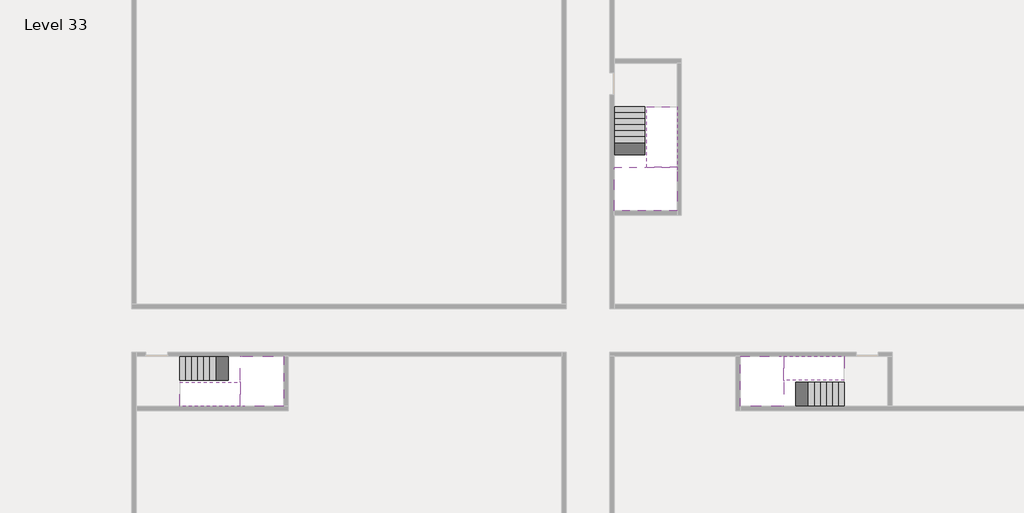
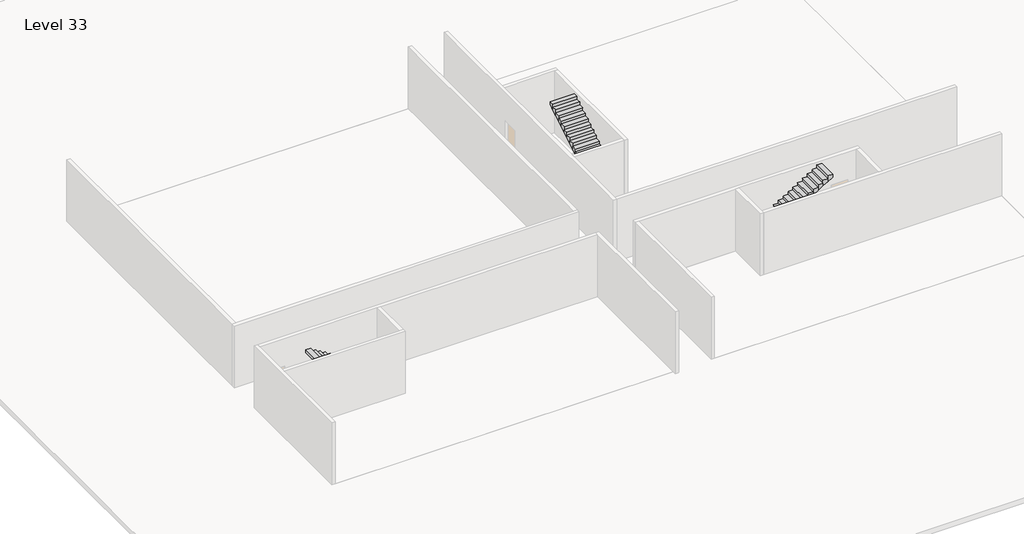
# One storey, part 2 of 2: 6 stair flights, 3 slabs.
"""IFC4 building model written with IfcOpenShell, lengths in millimetres."""

from ifc_helpers import new_model, si_unit, origin, place, context, project, spatial, faceted_brep, element, save

model = new_model("IFC4")

# Units and contexts
model_context = context("Model", 3, world=origin())
ifc_project = project(units=[si_unit("LENGTHUNIT", "METRE", prefix="MILLI")], contexts=[model_context])

# Site, building, storey
site = spatial("IfcSite", under=ifc_project)
building = spatial("IfcBuilding", under=site)
storey = spatial("IfcBuildingStorey", under=building, Name="Level 33", Elevation=121600.0)

# Slabs
placement = place(None, origin())
element("IfcSlab", 1, at=placement, inside=storey, context=model_context, shape_type="Brep", body=[
    faceted_brep([(8190.1058784, -42918.09644, 123500.0), (8190.1058784, -44018.09644, 123500.0), (8190.1058784, -44118.09644, 123500.0), (8190.1058784, -45218.09644, 123500.0), (8390.7194421, -45218.09644, 123500.0), (10190.1058784, -45218.09644, 123500.0), (10190.1058784, -42918.09644, 123500.0), (8269.4923146, -42918.09644, 123500.0), (8190.1058784, -42918.09644, 123327.2727273), (8190.1058784, -42918.09644, 123151.0278478), (8190.1058784, -44018.09644, 123151.0278478), (8190.1058784, -44018.09644, 123200.0), (8190.1058784, -44118.09644, 123200.0), (8190.1058784, -44118.09644, 123323.7551205), (8190.1058784, -45218.09644, 123323.7551205), (8390.7194421, -45218.09644, 123200.0), (10190.1058784, -45218.09644, 123200.0), (10190.1058784, -42918.09644, 123200.0), (8269.4923146, -42918.09644, 123200.0), (8390.7194421, -44118.09644, 123200.0), (8269.4923146, -44018.09644, 123200.0)], [[[0, 1, 2, 3, 4, 5, 6, 7]], [[1, 0, 8, 9, 10, 11]], [[2, 1, 11, 12, 13]], [[3, 2, 13, 14]], [[3, 14, 15, 16, 5, 4]], [[6, 5, 16, 17]], [[9, 8, 0, 7, 6, 17, 18]], [[19, 12, 11, 20, 18, 17, 16, 15]], [[12, 19, 13]], [[18, 20, 10, 9]], [[20, 11, 10]], [[19, 15, 14, 13]]]),
])
element("IfcSlab", 2, at=placement, inside=storey, context=model_context, shape_type="Brep", body=[
    faceted_brep([(33190.1058784, -45218.09644, 123500.0), (33190.1058784, -44118.09644, 123500.0), (33190.1058784, -44018.09644, 123500.0), (33190.1058784, -42918.09644, 123500.0), (32989.4923146, -42918.09644, 123500.0), (31190.1058784, -42918.09644, 123500.0), (31190.1058784, -45218.09644, 123500.0), (33110.7194421, -45218.09644, 123500.0), (33190.1058784, -45218.09644, 123327.2727273), (33190.1058784, -45218.09644, 123151.0278478), (33190.1058784, -44118.09644, 123151.0278478), (33190.1058784, -44118.09644, 123200.0), (33190.1058784, -44018.09644, 123200.0), (33190.1058784, -44018.09644, 123323.7551205), (33190.1058784, -42918.09644, 123323.7551205), (32989.4923146, -42918.09644, 123200.0), (31190.1058784, -42918.09644, 123200.0), (31190.1058784, -45218.09644, 123200.0), (33110.7194421, -45218.09644, 123200.0), (32989.4923146, -44018.09644, 123200.0), (33110.7194421, -44118.09644, 123200.0)], [[[0, 1, 2, 3, 4, 5, 6, 7]], [[1, 0, 8, 9, 10, 11]], [[2, 1, 11, 12, 13]], [[3, 2, 13, 14]], [[3, 14, 15, 16, 5, 4]], [[6, 5, 16, 17]], [[9, 8, 0, 7, 6, 17, 18]], [[19, 12, 11, 20, 18, 17, 16, 15]], [[12, 19, 13]], [[18, 20, 10, 9]], [[20, 11, 10]], [[19, 15, 14, 13]]]),
])
element("IfcSlab", 3, at=placement, inside=storey, context=model_context, shape_type="Brep", body=[
    faceted_brep([(26790.1058784, -34218.09644, 123500.0), (25390.1058784, -34218.09644, 123500.0), (25390.1058784, -34297.4828763, 123500.0), (25390.1058784, -36218.09644, 123500.0), (28290.1058784, -36218.09644, 123500.0), (28290.1058784, -34418.7100038, 123500.0), (28290.1058784, -34218.09644, 123500.0), (26890.1058784, -34218.09644, 123500.0), (26790.1058784, -34218.09644, 123200.0), (26790.1058784, -34218.09644, 123151.0278478), (25390.1058784, -34218.09644, 123151.0278478), (25390.1058784, -34218.09644, 123327.2727273), (25390.1058784, -34297.4828763, 123200.0), (25390.1058784, -36218.09644, 123200.0), (28290.1058784, -36218.09644, 123200.0), (28290.1058784, -34418.7100038, 123200.0), (28290.1058784, -34218.09644, 123323.7551205), (26890.1058784, -34218.09644, 123323.7551205), (26890.1058784, -34218.09644, 123200.0), (26890.1058784, -34418.7100038, 123200.0), (26790.1058784, -34297.4828763, 123200.0)], [[[0, 1, 2, 3, 4, 5, 6, 7]], [[1, 0, 8, 9, 10, 11]], [[1, 11, 10, 12, 13, 3, 2]], [[4, 3, 13, 14]], [[4, 14, 15, 16, 6, 5]], [[7, 6, 16, 17]], [[0, 7, 17, 18, 8]], [[18, 19, 15, 14, 13, 12, 20, 8]], [[19, 18, 17]], [[20, 12, 10, 9]], [[8, 20, 9]], [[15, 19, 17, 16]]]),
])

# Stair flights
element("IfcStairFlight", 4, at=placement, inside=storey, context=model_context, shape_type="Brep", body=[
    faceted_brep([(5670.1058784, -42918.09644, 121772.7272727), (5390.1058784, -42918.09644, 121772.7272727), (5390.1058784, -44018.09644, 121772.7272727), (5670.1058784, -44018.09644, 121772.7272727), (5670.1058784, -42918.09644, 121600.0), (5390.1058784, -42918.09644, 121600.0), (5390.1058784, -44018.09644, 121600.0), (5670.1058784, -44018.09644, 121600.0), (5950.1058784, -42918.09644, 121945.4545455), (5670.1058784, -42918.09644, 121945.4545455), (5670.1058784, -44018.09644, 121945.4545455), (5950.1058784, -44018.09644, 121945.4545455), (5950.1058784, -42918.09644, 121769.209666), (5675.8081041, -42918.09644, 121600.0), (5675.8081041, -44018.09644, 121600.0), (5950.1058784, -44018.09644, 121769.209666), (6230.1058784, -42918.09644, 122118.1818182), (5950.1058784, -42918.09644, 122118.1818182), (5950.1058784, -44018.09644, 122118.1818182), (6230.1058784, -44018.09644, 122118.1818182), (6230.1058784, -42918.09644, 121941.9369387), (6230.1058784, -44018.09644, 121941.9369387), (6510.1058784, -42918.09644, 122290.9090909), (6230.1058784, -42918.09644, 122290.9090909), (6230.1058784, -44018.09644, 122290.9090909), (6510.1058784, -44018.09644, 122290.9090909), (6510.1058784, -42918.09644, 122114.6642114), (6510.1058784, -44018.09644, 122114.6642114), (6790.1058784, -42918.09644, 122463.6363636), (6510.1058784, -42918.09644, 122463.6363636), (6510.1058784, -44018.09644, 122463.6363636), (6790.1058784, -44018.09644, 122463.6363636), (6790.1058784, -42918.09644, 122287.3914841), (6790.1058784, -44018.09644, 122287.3914841), (7070.1058784, -42918.09644, 122636.3636364), (6790.1058784, -42918.09644, 122636.3636364), (6790.1058784, -44018.09644, 122636.3636364), (7070.1058784, -44018.09644, 122636.3636364), (7070.1058784, -42918.09644, 122460.1187569), (7070.1058784, -44018.09644, 122460.1187569), (7350.1058784, -42918.09644, 122809.0909091), (7070.1058784, -42918.09644, 122809.0909091), (7070.1058784, -44018.09644, 122809.0909091), (7350.1058784, -44018.09644, 122809.0909091), (7350.1058784, -42918.09644, 122632.8460296), (7350.1058784, -44018.09644, 122632.8460296), (7630.1058784, -42918.09644, 122981.8181818), (7350.1058784, -42918.09644, 122981.8181818), (7350.1058784, -44018.09644, 122981.8181818), (7630.1058784, -44018.09644, 122981.8181818), (7630.1058784, -42918.09644, 122805.5733023), (7630.1058784, -44018.09644, 122805.5733023), (7910.1058784, -42918.09644, 123154.5454545), (7630.1058784, -42918.09644, 123154.5454545), (7630.1058784, -44018.09644, 123154.5454545), (7910.1058784, -44018.09644, 123154.5454545), (7910.1058784, -42918.09644, 122978.3005751), (7910.1058784, -44018.09644, 122978.3005751), (8190.1058784, -42918.09644, 123327.2727273), (7910.1058784, -42918.09644, 123327.2727273), (7910.1058784, -44018.09644, 123327.2727273), (8190.1058784, -44018.09644, 123327.2727273), (8190.1058784, -42918.09644, 123151.0278478), (8190.1058784, -44018.09644, 123151.0278478), (8190.1058784, -44018.09644, 123200.0)], [[[0, 1, 2, 3]], [[1, 0, 4, 5]], [[2, 1, 5, 6]], [[3, 2, 6, 7]], [[8, 9, 10, 11]], [[4, 0, 9, 8, 12, 13]], [[0, 3, 10, 9]], [[3, 7, 14, 15, 11, 10]], [[16, 17, 18, 19]], [[17, 16, 20, 12, 8]], [[8, 11, 18, 17]], [[19, 18, 11, 15, 21]], [[22, 23, 24, 25]], [[23, 22, 26, 20, 16]], [[16, 19, 24, 23]], [[25, 24, 19, 21, 27]], [[28, 29, 30, 31]], [[29, 28, 32, 26, 22]], [[22, 25, 30, 29]], [[31, 30, 25, 27, 33]], [[34, 35, 36, 37]], [[35, 34, 38, 32, 28]], [[28, 31, 36, 35]], [[37, 36, 31, 33, 39]], [[40, 41, 42, 43]], [[41, 40, 44, 38, 34]], [[34, 37, 42, 41]], [[43, 42, 37, 39, 45]], [[46, 47, 48, 49]], [[47, 46, 50, 44, 40]], [[40, 43, 48, 47]], [[49, 48, 43, 45, 51]], [[52, 53, 54, 55]], [[53, 52, 56, 50, 46]], [[46, 49, 54, 53]], [[55, 54, 49, 51, 57]], [[58, 59, 60, 61]], [[59, 58, 62, 56, 52]], [[52, 55, 60, 59]], [[61, 60, 55, 57, 63, 64]], [[58, 61, 64, 63, 62]], [[5, 4, 13, 14, 7, 6]], [[14, 13, 12, 20, 26, 32, 38, 44, 50, 56, 62, 63, 57, 51, 45, 39, 33, 27, 21, 15]]]),
])
element("IfcStairFlight", 5, at=placement, inside=storey, context=model_context, shape_type="Brep", body=[
    faceted_brep([(7910.1058784, -45218.09644, 123672.7272727), (8190.1058784, -45218.09644, 123672.7272727), (8190.1058784, -44118.09644, 123672.7272727), (7910.1058784, -44118.09644, 123672.7272727), (7910.1058784, -45218.09644, 123496.4823932), (8190.1058784, -45218.09644, 123323.7551205), (8190.1058784, -45218.09644, 123500.0), (8190.1058784, -44118.09644, 123323.7551205), (7910.1058784, -44118.09644, 123496.4823932), (7630.1058784, -45218.09644, 123845.4545455), (7910.1058784, -45218.09644, 123845.4545455), (7910.1058784, -44118.09644, 123845.4545455), (7630.1058784, -44118.09644, 123845.4545455), (7630.1058784, -45218.09644, 123669.209666), (7630.1058784, -44118.09644, 123669.209666), (7350.1058784, -45218.09644, 124018.1818182), (7630.1058784, -45218.09644, 124018.1818182), (7630.1058784, -44118.09644, 124018.1818182), (7350.1058784, -44118.09644, 124018.1818182), (7350.1058784, -45218.09644, 123841.9369387), (7350.1058784, -44118.09644, 123841.9369387), (7070.1058784, -45218.09644, 124190.9090909), (7350.1058784, -45218.09644, 124190.9090909), (7350.1058784, -44118.09644, 124190.9090909), (7070.1058784, -44118.09644, 124190.9090909), (7070.1058784, -45218.09644, 124014.6642114), (7070.1058784, -44118.09644, 124014.6642114), (6790.1058784, -45218.09644, 124363.6363636), (7070.1058784, -45218.09644, 124363.6363636), (7070.1058784, -44118.09644, 124363.6363636), (6790.1058784, -44118.09644, 124363.6363636), (6790.1058784, -45218.09644, 124187.3914841), (6790.1058784, -44118.09644, 124187.3914841), (6510.1058784, -45218.09644, 124536.3636364), (6790.1058784, -45218.09644, 124536.3636364), (6790.1058784, -44118.09644, 124536.3636364), (6510.1058784, -44118.09644, 124536.3636364), (6510.1058784, -45218.09644, 124360.1187569), (6510.1058784, -44118.09644, 124360.1187569), (6230.1058784, -45218.09644, 124709.0909091), (6510.1058784, -45218.09644, 124709.0909091), (6510.1058784, -44118.09644, 124709.0909091), (6230.1058784, -44118.09644, 124709.0909091), (6230.1058784, -45218.09644, 124532.8460296), (6230.1058784, -44118.09644, 124532.8460296), (5950.1058784, -45218.09644, 124881.8181818), (6230.1058784, -45218.09644, 124881.8181818), (6230.1058784, -44118.09644, 124881.8181818), (5950.1058784, -44118.09644, 124881.8181818), (5950.1058784, -45218.09644, 124705.5733023), (5950.1058784, -44118.09644, 124705.5733023), (5670.1058784, -45218.09644, 125054.5454545), (5950.1058784, -45218.09644, 125054.5454545), (5950.1058784, -44118.09644, 125054.5454545), (5670.1058784, -44118.09644, 125054.5454545), (5670.1058784, -45218.09644, 124878.3005751), (5670.1058784, -44118.09644, 124878.3005751), (5390.1058784, -45218.09644, 125227.2727273), (5670.1058784, -45218.09644, 125227.2727273), (5670.1058784, -44118.09644, 125227.2727273), (5390.1058784, -44118.09644, 125227.2727273), (5390.1058784, -45218.09644, 125051.0278478), (5390.1058784, -44118.09644, 125051.0278478)], [[[0, 1, 2, 3]], [[1, 0, 4, 5, 6]], [[2, 1, 6, 5, 7]], [[3, 2, 7, 8]], [[9, 10, 11, 12]], [[10, 9, 13, 4, 0]], [[11, 10, 0, 3]], [[12, 11, 3, 8, 14]], [[15, 16, 17, 18]], [[16, 15, 19, 13, 9]], [[17, 16, 9, 12]], [[18, 17, 12, 14, 20]], [[21, 22, 23, 24]], [[22, 21, 25, 19, 15]], [[23, 22, 15, 18]], [[24, 23, 18, 20, 26]], [[27, 28, 29, 30]], [[28, 27, 31, 25, 21]], [[29, 28, 21, 24]], [[30, 29, 24, 26, 32]], [[33, 34, 35, 36]], [[34, 33, 37, 31, 27]], [[35, 34, 27, 30]], [[36, 35, 30, 32, 38]], [[39, 40, 41, 42]], [[40, 39, 43, 37, 33]], [[41, 40, 33, 36]], [[42, 41, 36, 38, 44]], [[45, 46, 47, 48]], [[46, 45, 49, 43, 39]], [[47, 46, 39, 42]], [[48, 47, 42, 44, 50]], [[51, 52, 53, 54]], [[52, 51, 55, 49, 45]], [[53, 52, 45, 48]], [[54, 53, 48, 50, 56]], [[57, 58, 59, 60]], [[58, 57, 61, 55, 51]], [[59, 58, 51, 54]], [[60, 59, 54, 56, 62]], [[57, 60, 62, 61]], [[5, 4, 13, 19, 25, 31, 37, 43, 49, 55, 61, 62, 56, 50, 44, 38, 32, 26, 20, 14, 8, 7]]]),
])
element("IfcStairFlight", 6, at=placement, inside=storey, context=model_context, shape_type="Brep", body=[
    faceted_brep([(35710.1058784, -45218.09644, 121772.7272727), (35990.1058784, -45218.09644, 121772.7272727), (35990.1058784, -44118.09644, 121772.7272727), (35710.1058784, -44118.09644, 121772.7272727), (35710.1058784, -45218.09644, 121600.0), (35990.1058784, -45218.09644, 121600.0), (35990.1058784, -44118.09644, 121600.0), (35710.1058784, -44118.09644, 121600.0), (35430.1058784, -45218.09644, 121945.4545455), (35710.1058784, -45218.09644, 121945.4545455), (35710.1058784, -44118.09644, 121945.4545455), (35430.1058784, -44118.09644, 121945.4545455), (35430.1058784, -45218.09644, 121769.209666), (35704.4036527, -45218.09644, 121600.0), (35704.4036527, -44118.09644, 121600.0), (35430.1058784, -44118.09644, 121769.209666), (35150.1058784, -45218.09644, 122118.1818182), (35430.1058784, -45218.09644, 122118.1818182), (35430.1058784, -44118.09644, 122118.1818182), (35150.1058784, -44118.09644, 122118.1818182), (35150.1058784, -45218.09644, 121941.9369387), (35150.1058784, -44118.09644, 121941.9369387), (34870.1058784, -45218.09644, 122290.9090909), (35150.1058784, -45218.09644, 122290.9090909), (35150.1058784, -44118.09644, 122290.9090909), (34870.1058784, -44118.09644, 122290.9090909), (34870.1058784, -45218.09644, 122114.6642114), (34870.1058784, -44118.09644, 122114.6642114), (34590.1058784, -45218.09644, 122463.6363636), (34870.1058784, -45218.09644, 122463.6363636), (34870.1058784, -44118.09644, 122463.6363636), (34590.1058784, -44118.09644, 122463.6363636), (34590.1058784, -45218.09644, 122287.3914841), (34590.1058784, -44118.09644, 122287.3914841), (34310.1058784, -45218.09644, 122636.3636364), (34590.1058784, -45218.09644, 122636.3636364), (34590.1058784, -44118.09644, 122636.3636364), (34310.1058784, -44118.09644, 122636.3636364), (34310.1058784, -45218.09644, 122460.1187569), (34310.1058784, -44118.09644, 122460.1187569), (34030.1058784, -45218.09644, 122809.0909091), (34310.1058784, -45218.09644, 122809.0909091), (34310.1058784, -44118.09644, 122809.0909091), (34030.1058784, -44118.09644, 122809.0909091), (34030.1058784, -45218.09644, 122632.8460296), (34030.1058784, -44118.09644, 122632.8460296), (33750.1058784, -45218.09644, 122981.8181818), (34030.1058784, -45218.09644, 122981.8181818), (34030.1058784, -44118.09644, 122981.8181818), (33750.1058784, -44118.09644, 122981.8181818), (33750.1058784, -45218.09644, 122805.5733023), (33750.1058784, -44118.09644, 122805.5733023), (33470.1058784, -45218.09644, 123154.5454545), (33750.1058784, -45218.09644, 123154.5454545), (33750.1058784, -44118.09644, 123154.5454545), (33470.1058784, -44118.09644, 123154.5454545), (33470.1058784, -45218.09644, 122978.3005751), (33470.1058784, -44118.09644, 122978.3005751), (33190.1058784, -45218.09644, 123327.2727273), (33470.1058784, -45218.09644, 123327.2727273), (33470.1058784, -44118.09644, 123327.2727273), (33190.1058784, -44118.09644, 123327.2727273), (33190.1058784, -45218.09644, 123151.0278478), (33190.1058784, -44118.09644, 123151.0278478), (33190.1058784, -44118.09644, 123200.0)], [[[0, 1, 2, 3]], [[1, 0, 4, 5]], [[2, 1, 5, 6]], [[3, 2, 6, 7]], [[8, 9, 10, 11]], [[4, 0, 9, 8, 12, 13]], [[0, 3, 10, 9]], [[3, 7, 14, 15, 11, 10]], [[16, 17, 18, 19]], [[17, 16, 20, 12, 8]], [[8, 11, 18, 17]], [[19, 18, 11, 15, 21]], [[22, 23, 24, 25]], [[23, 22, 26, 20, 16]], [[16, 19, 24, 23]], [[25, 24, 19, 21, 27]], [[28, 29, 30, 31]], [[29, 28, 32, 26, 22]], [[22, 25, 30, 29]], [[31, 30, 25, 27, 33]], [[34, 35, 36, 37]], [[35, 34, 38, 32, 28]], [[28, 31, 36, 35]], [[37, 36, 31, 33, 39]], [[40, 41, 42, 43]], [[41, 40, 44, 38, 34]], [[34, 37, 42, 41]], [[43, 42, 37, 39, 45]], [[46, 47, 48, 49]], [[47, 46, 50, 44, 40]], [[40, 43, 48, 47]], [[49, 48, 43, 45, 51]], [[52, 53, 54, 55]], [[53, 52, 56, 50, 46]], [[46, 49, 54, 53]], [[55, 54, 49, 51, 57]], [[58, 59, 60, 61]], [[59, 58, 62, 56, 52]], [[52, 55, 60, 59]], [[61, 60, 55, 57, 63, 64]], [[58, 61, 64, 63, 62]], [[5, 4, 13, 14, 7, 6]], [[14, 13, 12, 20, 26, 32, 38, 44, 50, 56, 62, 63, 57, 51, 45, 39, 33, 27, 21, 15]]]),
])
element("IfcStairFlight", 7, at=placement, inside=storey, context=model_context, shape_type="Brep", body=[
    faceted_brep([(33470.1058784, -42918.09644, 123672.7272727), (33190.1058784, -42918.09644, 123672.7272727), (33190.1058784, -44018.09644, 123672.7272727), (33470.1058784, -44018.09644, 123672.7272727), (33470.1058784, -42918.09644, 123496.4823932), (33190.1058784, -42918.09644, 123323.7551205), (33190.1058784, -42918.09644, 123500.0), (33190.1058784, -44018.09644, 123323.7551205), (33470.1058784, -44018.09644, 123496.4823932), (33750.1058784, -42918.09644, 123845.4545455), (33470.1058784, -42918.09644, 123845.4545455), (33470.1058784, -44018.09644, 123845.4545455), (33750.1058784, -44018.09644, 123845.4545455), (33750.1058784, -42918.09644, 123669.209666), (33750.1058784, -44018.09644, 123669.209666), (34030.1058784, -42918.09644, 124018.1818182), (33750.1058784, -42918.09644, 124018.1818182), (33750.1058784, -44018.09644, 124018.1818182), (34030.1058784, -44018.09644, 124018.1818182), (34030.1058784, -42918.09644, 123841.9369387), (34030.1058784, -44018.09644, 123841.9369387), (34310.1058784, -42918.09644, 124190.9090909), (34030.1058784, -42918.09644, 124190.9090909), (34030.1058784, -44018.09644, 124190.9090909), (34310.1058784, -44018.09644, 124190.9090909), (34310.1058784, -42918.09644, 124014.6642114), (34310.1058784, -44018.09644, 124014.6642114), (34590.1058784, -42918.09644, 124363.6363636), (34310.1058784, -42918.09644, 124363.6363636), (34310.1058784, -44018.09644, 124363.6363636), (34590.1058784, -44018.09644, 124363.6363636), (34590.1058784, -42918.09644, 124187.3914841), (34590.1058784, -44018.09644, 124187.3914841), (34870.1058784, -42918.09644, 124536.3636364), (34590.1058784, -42918.09644, 124536.3636364), (34590.1058784, -44018.09644, 124536.3636364), (34870.1058784, -44018.09644, 124536.3636364), (34870.1058784, -42918.09644, 124360.1187569), (34870.1058784, -44018.09644, 124360.1187569), (35150.1058784, -42918.09644, 124709.0909091), (34870.1058784, -42918.09644, 124709.0909091), (34870.1058784, -44018.09644, 124709.0909091), (35150.1058784, -44018.09644, 124709.0909091), (35150.1058784, -42918.09644, 124532.8460296), (35150.1058784, -44018.09644, 124532.8460296), (35430.1058784, -42918.09644, 124881.8181818), (35150.1058784, -42918.09644, 124881.8181818), (35150.1058784, -44018.09644, 124881.8181818), (35430.1058784, -44018.09644, 124881.8181818), (35430.1058784, -42918.09644, 124705.5733023), (35430.1058784, -44018.09644, 124705.5733023), (35710.1058784, -42918.09644, 125054.5454545), (35430.1058784, -42918.09644, 125054.5454545), (35430.1058784, -44018.09644, 125054.5454545), (35710.1058784, -44018.09644, 125054.5454545), (35710.1058784, -42918.09644, 124878.3005751), (35710.1058784, -44018.09644, 124878.3005751), (35990.1058784, -42918.09644, 125227.2727273), (35710.1058784, -42918.09644, 125227.2727273), (35710.1058784, -44018.09644, 125227.2727273), (35990.1058784, -44018.09644, 125227.2727273), (35990.1058784, -42918.09644, 125051.0278478), (35990.1058784, -44018.09644, 125051.0278478)], [[[0, 1, 2, 3]], [[1, 0, 4, 5, 6]], [[2, 1, 6, 5, 7]], [[3, 2, 7, 8]], [[9, 10, 11, 12]], [[10, 9, 13, 4, 0]], [[11, 10, 0, 3]], [[12, 11, 3, 8, 14]], [[15, 16, 17, 18]], [[16, 15, 19, 13, 9]], [[17, 16, 9, 12]], [[18, 17, 12, 14, 20]], [[21, 22, 23, 24]], [[22, 21, 25, 19, 15]], [[23, 22, 15, 18]], [[24, 23, 18, 20, 26]], [[27, 28, 29, 30]], [[28, 27, 31, 25, 21]], [[29, 28, 21, 24]], [[30, 29, 24, 26, 32]], [[33, 34, 35, 36]], [[34, 33, 37, 31, 27]], [[35, 34, 27, 30]], [[36, 35, 30, 32, 38]], [[39, 40, 41, 42]], [[40, 39, 43, 37, 33]], [[41, 40, 33, 36]], [[42, 41, 36, 38, 44]], [[45, 46, 47, 48]], [[46, 45, 49, 43, 39]], [[47, 46, 39, 42]], [[48, 47, 42, 44, 50]], [[51, 52, 53, 54]], [[52, 51, 55, 49, 45]], [[53, 52, 45, 48]], [[54, 53, 48, 50, 56]], [[57, 58, 59, 60]], [[58, 57, 61, 55, 51]], [[59, 58, 51, 54]], [[60, 59, 54, 56, 62]], [[57, 60, 62, 61]], [[5, 4, 13, 19, 25, 31, 37, 43, 49, 55, 61, 62, 56, 50, 44, 38, 32, 26, 20, 14, 8, 7]]]),
])
element("IfcStairFlight", 8, at=placement, inside=storey, context=model_context, shape_type="Brep", body=[
    faceted_brep([(26790.1058784, -31698.09644, 121772.7272727), (26790.1058784, -31418.09644, 121772.7272727), (25390.1058784, -31418.09644, 121772.7272727), (25390.1058784, -31698.09644, 121772.7272727), (26790.1058784, -31698.09644, 121600.0), (26790.1058784, -31418.09644, 121600.0), (25390.1058784, -31418.09644, 121600.0), (25390.1058784, -31698.09644, 121600.0), (26790.1058784, -31978.09644, 121945.4545455), (26790.1058784, -31698.09644, 121945.4545455), (25390.1058784, -31698.09644, 121945.4545455), (25390.1058784, -31978.09644, 121945.4545455), (26790.1058784, -31978.09644, 121769.209666), (26790.1058784, -31703.7986657, 121600.0), (25390.1058784, -31703.7986657, 121600.0), (25390.1058784, -31978.09644, 121769.209666), (26790.1058784, -32258.09644, 122118.1818182), (26790.1058784, -31978.09644, 122118.1818182), (25390.1058784, -31978.09644, 122118.1818182), (25390.1058784, -32258.09644, 122118.1818182), (26790.1058784, -32258.09644, 121941.9369387), (25390.1058784, -32258.09644, 121941.9369387), (26790.1058784, -32538.09644, 122290.9090909), (26790.1058784, -32258.09644, 122290.9090909), (25390.1058784, -32258.09644, 122290.9090909), (25390.1058784, -32538.09644, 122290.9090909), (26790.1058784, -32538.09644, 122114.6642114), (25390.1058784, -32538.09644, 122114.6642114), (26790.1058784, -32818.09644, 122463.6363636), (26790.1058784, -32538.09644, 122463.6363636), (25390.1058784, -32538.09644, 122463.6363636), (25390.1058784, -32818.09644, 122463.6363636), (26790.1058784, -32818.09644, 122287.3914841), (25390.1058784, -32818.09644, 122287.3914841), (26790.1058784, -33098.09644, 122636.3636364), (26790.1058784, -32818.09644, 122636.3636364), (25390.1058784, -32818.09644, 122636.3636364), (25390.1058784, -33098.09644, 122636.3636364), (26790.1058784, -33098.09644, 122460.1187569), (25390.1058784, -33098.09644, 122460.1187569), (26790.1058784, -33378.09644, 122809.0909091), (26790.1058784, -33098.09644, 122809.0909091), (25390.1058784, -33098.09644, 122809.0909091), (25390.1058784, -33378.09644, 122809.0909091), (26790.1058784, -33378.09644, 122632.8460296), (25390.1058784, -33378.09644, 122632.8460296), (26790.1058784, -33658.09644, 122981.8181818), (26790.1058784, -33378.09644, 122981.8181818), (25390.1058784, -33378.09644, 122981.8181818), (25390.1058784, -33658.09644, 122981.8181818), (26790.1058784, -33658.09644, 122805.5733023), (25390.1058784, -33658.09644, 122805.5733023), (26790.1058784, -33938.09644, 123154.5454545), (26790.1058784, -33658.09644, 123154.5454545), (25390.1058784, -33658.09644, 123154.5454545), (25390.1058784, -33938.09644, 123154.5454545), (26790.1058784, -33938.09644, 122978.3005751), (25390.1058784, -33938.09644, 122978.3005751), (26790.1058784, -34218.09644, 123327.2727273), (26790.1058784, -33938.09644, 123327.2727273), (25390.1058784, -33938.09644, 123327.2727273), (25390.1058784, -34218.09644, 123327.2727273), (26790.1058784, -34218.09644, 123200.0), (26790.1058784, -34218.09644, 123151.0278478), (25390.1058784, -34218.09644, 123151.0278478)], [[[0, 1, 2, 3]], [[1, 0, 4, 5]], [[2, 1, 5, 6]], [[3, 2, 6, 7]], [[8, 9, 10, 11]], [[4, 0, 9, 8, 12, 13]], [[0, 3, 10, 9]], [[3, 7, 14, 15, 11, 10]], [[16, 17, 18, 19]], [[17, 16, 20, 12, 8]], [[8, 11, 18, 17]], [[19, 18, 11, 15, 21]], [[22, 23, 24, 25]], [[23, 22, 26, 20, 16]], [[16, 19, 24, 23]], [[25, 24, 19, 21, 27]], [[28, 29, 30, 31]], [[29, 28, 32, 26, 22]], [[22, 25, 30, 29]], [[31, 30, 25, 27, 33]], [[34, 35, 36, 37]], [[35, 34, 38, 32, 28]], [[28, 31, 36, 35]], [[37, 36, 31, 33, 39]], [[40, 41, 42, 43]], [[41, 40, 44, 38, 34]], [[34, 37, 42, 41]], [[43, 42, 37, 39, 45]], [[46, 47, 48, 49]], [[47, 46, 50, 44, 40]], [[40, 43, 48, 47]], [[49, 48, 43, 45, 51]], [[52, 53, 54, 55]], [[53, 52, 56, 50, 46]], [[46, 49, 54, 53]], [[55, 54, 49, 51, 57]], [[58, 59, 60, 61]], [[59, 58, 62, 63, 56, 52]], [[52, 55, 60, 59]], [[61, 60, 55, 57, 64]], [[58, 61, 64, 63, 62]], [[5, 4, 13, 14, 7, 6]], [[14, 13, 12, 20, 26, 32, 38, 44, 50, 56, 63, 64, 57, 51, 45, 39, 33, 27, 21, 15]]]),
])
element("IfcStairFlight", 9, at=placement, inside=storey, context=model_context, shape_type="Brep", body=[
    faceted_brep([(26890.1058784, -33938.09644, 123672.7272727), (26890.1058784, -34218.09644, 123672.7272727), (28290.1058784, -34218.09644, 123672.7272727), (28290.1058784, -33938.09644, 123672.7272727), (26890.1058784, -33938.09644, 123496.4823932), (26890.1058784, -34218.09644, 123323.7551205), (28290.1058784, -34218.09644, 123323.7551205), (28290.1058784, -34218.09644, 123500.0), (28290.1058784, -33938.09644, 123496.4823932), (26890.1058784, -33658.09644, 123845.4545455), (26890.1058784, -33938.09644, 123845.4545455), (28290.1058784, -33938.09644, 123845.4545455), (28290.1058784, -33658.09644, 123845.4545455), (26890.1058784, -33658.09644, 123669.209666), (28290.1058784, -33658.09644, 123669.209666), (26890.1058784, -33378.09644, 124018.1818182), (26890.1058784, -33658.09644, 124018.1818182), (28290.1058784, -33658.09644, 124018.1818182), (28290.1058784, -33378.09644, 124018.1818182), (26890.1058784, -33378.09644, 123841.9369387), (28290.1058784, -33378.09644, 123841.9369387), (26890.1058784, -33098.09644, 124190.9090909), (26890.1058784, -33378.09644, 124190.9090909), (28290.1058784, -33378.09644, 124190.9090909), (28290.1058784, -33098.09644, 124190.9090909), (26890.1058784, -33098.09644, 124014.6642114), (28290.1058784, -33098.09644, 124014.6642114), (26890.1058784, -32818.09644, 124363.6363636), (26890.1058784, -33098.09644, 124363.6363636), (28290.1058784, -33098.09644, 124363.6363636), (28290.1058784, -32818.09644, 124363.6363636), (26890.1058784, -32818.09644, 124187.3914841), (28290.1058784, -32818.09644, 124187.3914841), (26890.1058784, -32538.09644, 124536.3636364), (26890.1058784, -32818.09644, 124536.3636364), (28290.1058784, -32818.09644, 124536.3636364), (28290.1058784, -32538.09644, 124536.3636364), (26890.1058784, -32538.09644, 124360.1187569), (28290.1058784, -32538.09644, 124360.1187569), (26890.1058784, -32258.09644, 124709.0909091), (26890.1058784, -32538.09644, 124709.0909091), (28290.1058784, -32538.09644, 124709.0909091), (28290.1058784, -32258.09644, 124709.0909091), (26890.1058784, -32258.09644, 124532.8460296), (28290.1058784, -32258.09644, 124532.8460296), (26890.1058784, -31978.09644, 124881.8181818), (26890.1058784, -32258.09644, 124881.8181818), (28290.1058784, -32258.09644, 124881.8181818), (28290.1058784, -31978.09644, 124881.8181818), (26890.1058784, -31978.09644, 124705.5733023), (28290.1058784, -31978.09644, 124705.5733023), (26890.1058784, -31698.09644, 125054.5454545), (26890.1058784, -31978.09644, 125054.5454545), (28290.1058784, -31978.09644, 125054.5454545), (28290.1058784, -31698.09644, 125054.5454545), (26890.1058784, -31698.09644, 124878.3005751), (28290.1058784, -31698.09644, 124878.3005751), (26890.1058784, -31418.09644, 125227.2727273), (26890.1058784, -31698.09644, 125227.2727273), (28290.1058784, -31698.09644, 125227.2727273), (28290.1058784, -31418.09644, 125227.2727273), (26890.1058784, -31418.09644, 125051.0278478), (28290.1058784, -31418.09644, 125051.0278478)], [[[0, 1, 2, 3]], [[1, 0, 4, 5]], [[2, 1, 5, 6, 7]], [[3, 2, 7, 6, 8]], [[9, 10, 11, 12]], [[10, 9, 13, 4, 0]], [[11, 10, 0, 3]], [[12, 11, 3, 8, 14]], [[15, 16, 17, 18]], [[16, 15, 19, 13, 9]], [[17, 16, 9, 12]], [[18, 17, 12, 14, 20]], [[21, 22, 23, 24]], [[22, 21, 25, 19, 15]], [[23, 22, 15, 18]], [[24, 23, 18, 20, 26]], [[27, 28, 29, 30]], [[28, 27, 31, 25, 21]], [[29, 28, 21, 24]], [[30, 29, 24, 26, 32]], [[33, 34, 35, 36]], [[34, 33, 37, 31, 27]], [[35, 34, 27, 30]], [[36, 35, 30, 32, 38]], [[39, 40, 41, 42]], [[40, 39, 43, 37, 33]], [[41, 40, 33, 36]], [[42, 41, 36, 38, 44]], [[45, 46, 47, 48]], [[46, 45, 49, 43, 39]], [[47, 46, 39, 42]], [[48, 47, 42, 44, 50]], [[51, 52, 53, 54]], [[52, 51, 55, 49, 45]], [[53, 52, 45, 48]], [[54, 53, 48, 50, 56]], [[57, 58, 59, 60]], [[58, 57, 61, 55, 51]], [[59, 58, 51, 54]], [[60, 59, 54, 56, 62]], [[57, 60, 62, 61]], [[5, 4, 13, 19, 25, 31, 37, 43, 49, 55, 61, 62, 56, 50, 44, 38, 32, 26, 20, 14, 8, 6]]]),
])

save(model, "model.ifc")
